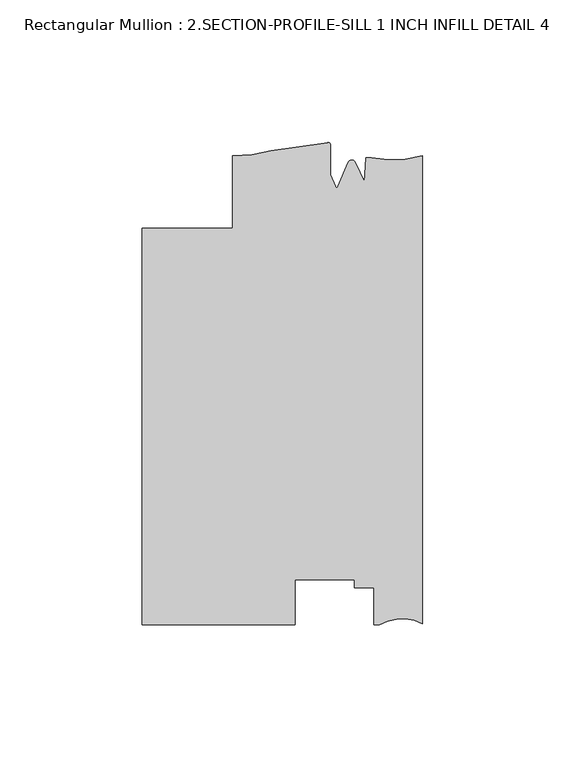
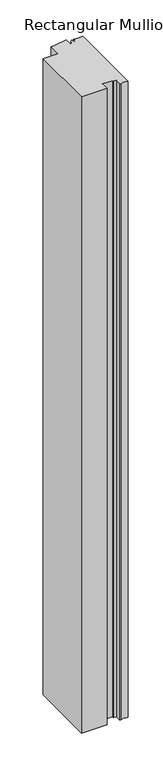
"""IFC4 building model written with IfcOpenShell, lengths in millimetres: member geometry, Rectangular Mullion : 2.SECTION-PROFILE-SILL 1 INCH INFILL DETAIL 4."""

from ifc_helpers import new_model, si_unit, frame, origin, place, context, project, spatial, polyline, circle_curve, source, transform, mapped, element, save
from ifc_brep_helpers import plane_surface, cylinder_surface, revolved_surface, advanced_brep


def rectangular_mullion_2_section_profile_sill_1_inch_infill_4022593c(model_context):
    return source(origin(), model_context, "Body", "AdvancedBrep", [
        advanced_brep(
        [(-98.425, 54.055762, 0.0), (-98.425, -85.136238, 0.0), (-44.8099503, -85.136238, 0.0), (-44.8099503, -69.2378335, 0.0), (-23.8633011, -69.2378335, 0.0), (-23.8633011, -72.0924388, 0.0), (-17.0053014, -72.0924388, 0.0), (-17.0053014, -85.136238, 0.0), (-15.1680895, -85.136238, 0.0), (0.0, -84.755238, 0.0), (0.0, 79.455762, 0.0), (-18.0334985, 78.6990241, 0.0), (-19.8211861, 78.8096902, 0.0), (-20.3867288, 70.4103709, 0.0), (-23.5593147, 77.1044184, 0.0), (-26.1362138, 77.1044184, 0.0), (-29.8075652, 68.6878508, 0.0), (-30.5559634, 68.6878508, 0.0), (-32.384137, 72.8789362, 0.0), (-32.384137, 83.3692214, 0.0), (-33.3130099, 84.1127249, 0.0), (-53.2924277, 81.2717252, 0.0), (-66.6751132, 79.455762, 0.0), (-66.6751132, 54.0564084, 0.0), (-98.425, 54.055762, -1409.4831251), (-66.6751132, 54.0564084, -1409.4831251), (-66.6751132, 79.455762, -1409.4831251), (-53.2924277, 81.2717252, -1409.4831251), (-33.3138356, 84.1125391, -1409.4831251), (-32.384137, 83.3692214, -1409.4831251), (-32.384137, 72.8789362, -1409.4831251), (-30.5559634, 68.6878508, -1409.4831251), (-29.8075652, 68.6878508, -1409.4831251), (-26.1362138, 77.1044184, -1409.4831251), (-23.5593147, 77.1044184, -1409.4831251), (-20.3867288, 70.4103709, -1409.4831251), (-19.8211861, 78.8096902, -1409.4831251), (-18.0334985, 78.6990241, -1409.4831251), (0.0, 79.455762, -1409.4831251), (0.0, -84.755238, -1409.4831251), (-15.1680895, -85.136238, -1409.4831251), (-17.0053014, -85.136238, -1409.4831251), (-17.0053014, -72.0924388, -1409.4831251), (-23.8633011, -72.0924388, -1409.4831251), (-23.8633011, -69.2378335, -1409.4831251), (-44.8099503, -69.2378335, -1409.4831251), (-44.8099503, -85.136238, -1409.4831251), (-98.425, -85.136238, -1409.4831251)],
        [
            (0, 1),
            (1, 2),
            (2, 3),
            (3, 4),
            (4, 5),
            (5, 6),
            (6, 7),
            (7, 8),
            (8, 9, circle_curve(frame((-7.2326507, -98.9351771, 0.0), z_axis=(0.0, 0.0, -1.0), x_axis=(0.0, -1.0, 0.0)), 15.9179744)),
            (9, 10),
            (10, 11, circle_curve(frame((-10.6264113, 117.4365645, 0.0), z_axis=(0.0, 0.0, -1.0), x_axis=(0.0, -1.0, 0.0)), 39.4393455)),
            (11, 12),
            (12, 13),
            (13, 14),
            (14, 15, circle_curve(frame((-24.8477643, 76.5645047, 0.0), z_axis=(0.0, 0.0, 1.0), x_axis=(-0.9222974554240717, 0.3864807934662246, 0.0)), 1.397)),
            (15, 16),
            (16, 17, circle_curve(frame((-30.1817643, 68.6161848, 0.0), z_axis=(0.0, 0.0, -1.0), x_axis=(-0.9821498950386464, 0.1880999300254419, 0.0)), 0.381)),
            (17, 18),
            (18, 19),
            (19, 20, circle_curve(frame((-33.146137, 83.3692214, 0.0), z_axis=(0.0, 0.0, 1.0), x_axis=(1.0, 0.0, 0.0)), 0.762)),
            (20, 21, circle_curve(frame((-61.125498, 208.0314889, 0.0), z_axis=(0.0, 0.0, -1.0), x_axis=(0.21898678818962636, -0.9757278240361867, 0.0)), 127.0015539)),
            (21, 22, circle_curve(frame((-65.8289407, 123.4395475, 0.0), z_axis=(0.0, 0.0, -1.0), x_axis=(0.0, -1.0, 0.0)), 43.9919242)),
            (22, 23),
            (23, 0),
            (24, 25),
            (25, 26),
            (26, 27, circle_curve(frame((-65.8289407, 123.4395475, -1409.4831251), z_axis=(0.0, 0.0, 1.0), x_axis=(0.0, -1.0, 0.0)), 43.9919242)),
            (27, 28, circle_curve(frame((-61.125498, 208.0314889, -1409.4831251), z_axis=(0.0, 0.0, 1.0), x_axis=(0.21898678818962636, -0.9757278240361867, 0.0)), 127.0015539)),
            (28, 29, circle_curve(frame((-33.146137, 83.3692214, -1409.4831251), z_axis=(0.0, 0.0, -1.0), x_axis=(1.0, 0.0, 0.0)), 0.762)),
            (29, 30),
            (30, 31),
            (31, 32, circle_curve(frame((-30.1817643, 68.6161848, -1409.4831251), z_axis=(0.0, 0.0, 1.0), x_axis=(-0.9821498950386464, 0.1880999300254419, 0.0)), 0.381)),
            (32, 33),
            (33, 34, circle_curve(frame((-24.8477643, 76.5645047, -1409.4831251), z_axis=(0.0, 0.0, -1.0), x_axis=(-0.9222974554240717, 0.3864807934662246, 0.0)), 1.397)),
            (34, 35),
            (35, 36),
            (36, 37),
            (37, 38, circle_curve(frame((-10.6264113, 117.4365645, -1409.4831251), z_axis=(0.0, 0.0, 1.0), x_axis=(0.0, -1.0, 0.0)), 39.4393455)),
            (38, 39),
            (39, 40, circle_curve(frame((-7.2326507, -98.9351771, -1409.4831251), z_axis=(0.0, 0.0, 1.0), x_axis=(0.0, -1.0, 0.0)), 15.9179744)),
            (40, 41),
            (41, 42),
            (42, 43),
            (43, 44),
            (44, 45),
            (45, 46),
            (46, 47),
            (47, 24),
            (0, 24),
            (47, 1),
            (46, 2),
            (45, 3),
            (44, 4),
            (43, 5),
            (42, 6),
            (41, 7),
            (40, 8),
            (39, 9),
            (38, 10),
            (37, 11),
            (36, 12),
            (35, 13),
            (34, 14),
            (33, 15),
            (32, 16),
            (31, 17),
            (30, 18),
            (29, 19),
            (28, 20),
            (27, 21),
            (26, 22),
            (25, 23),
        ],
        [
            plane_surface(frame((0.0, -130.1370802, 0.0), z_axis=(0.0, 0.0, 1.0), x_axis=(-1.0, 0.0, 0.0))),
            plane_surface(frame((0.0, -130.1370802, -1409.4831251), z_axis=(0.0, 0.0, -1.0), x_axis=(-1.0, 0.0, 0.0))),
            plane_surface(frame((-98.425, 54.055762, 0.0), z_axis=(-1.0, 0.0, 0.0), x_axis=(0.0, 0.0, -1.0))),
            plane_surface(frame((-98.425, -85.136238, 0.0), z_axis=(0.0, -1.0, 0.0), x_axis=(0.0, 0.0, -1.0))),
            plane_surface(frame((-44.8099503, -85.136238, 0.0), z_axis=(1.0, 0.0, 0.0), x_axis=(0.0, 0.0, -1.0))),
            plane_surface(frame((-44.8099503, -69.2378335, 0.0), z_axis=(0.0, -1.0, 0.0), x_axis=(0.0, 0.0, -1.0))),
            plane_surface(frame((-23.8633011, -69.2378335, 0.0), z_axis=(-1.0, 0.0, 0.0), x_axis=(0.0, 0.0, -1.0))),
            plane_surface(frame((-23.8633011, -72.0924388, 0.0), z_axis=(0.0, -1.0, 0.0), x_axis=(0.0, 0.0, -1.0))),
            plane_surface(frame((-17.0053014, -72.0924388, 0.0), z_axis=(-1.0, 0.0, 0.0), x_axis=(0.0, 0.0, -1.0))),
            plane_surface(frame((-17.0053014, -85.136238, 0.0), z_axis=(0.0, -1.0, 0.0), x_axis=(0.0, 0.0, -1.0))),
            revolved_surface(polyline([(-7.2326507, -114.85315150000001, -1409.4831251), (-7.2326507, -114.85315150000001, 0.0)]), (-7.2326507, -98.9351771, 0.0), (0.0, 0.0, -1.0)),
            plane_surface(frame((0.0, -84.755238, 0.0), z_axis=(1.0, 0.0, 0.0), x_axis=(0.0, 0.0, -1.0))),
            revolved_surface(polyline([(-10.6264113, 77.997219, -1409.4831251), (-10.6264113, 77.997219, 0.0)]), (-10.6264113, 117.4365645, 0.0), (0.0, 0.0, -1.0)),
            plane_surface(frame((-18.0334985, 78.6990241, 0.0), z_axis=(0.06178632761889604, 0.9980893996628611, 0.0), x_axis=(0.0, 0.0, -1.0))),
            plane_surface(frame((-19.8211861, 78.8096902, 0.0), z_axis=(-0.9977408816451062, 0.06717985631159187, 0.0), x_axis=(0.0, 0.0, -1.0))),
            plane_surface(frame((-20.3867288, 70.4103709, 0.0), z_axis=(0.9036479198265266, 0.42827612237106033, 0.0), x_axis=(0.0, 0.0, -1.0))),
            cylinder_surface(frame((-24.8477643, 76.5645047, 0.0), z_axis=(0.0, 0.0, 1.0), x_axis=(-0.9222974554240717, 0.3864807934662246, 0.0)), 1.397),
            plane_surface(frame((-26.1362138, 77.1044184, 0.0), z_axis=(-0.9165925711538584, 0.39982253376411786, 0.0), x_axis=(0.0, 0.0, -1.0))),
            revolved_surface(polyline([(-30.555963410009724, 68.6878508733397, -1409.4831251000005), (-30.555963410009724, 68.6878508733397, 0.0)]), (-30.1817643, 68.6161848, 0.0), (0.0, 0.0, -1.0000000000000002)),
            plane_surface(frame((-30.5559634, 68.6878508, 0.0), z_axis=(0.9165925711538703, 0.39982253376409066, 0.0), x_axis=(0.0, 0.0, -1.0))),
            plane_surface(frame((-32.384137, 72.8789362, 0.0), z_axis=(1.0, 0.0, 0.0), x_axis=(0.0, 0.0, -1.0))),
            cylinder_surface(frame((-33.146137, 83.3692214, 0.0), z_axis=(0.0, 0.0, 1.0), x_axis=(1.0, 0.0, 0.0)), 0.762),
            revolved_surface(polyline([(-33.31383561634728, 84.11253906393851, -1409.4831251), (-33.31383561634728, 84.11253906393851, 0.0)]), (-61.125498, 208.0314889, 0.0), (0.0, 0.0, -1.0)),
            revolved_surface(polyline([(-65.8289407, 79.4476233, -1409.4831251), (-65.8289407, 79.4476233, 0.0)]), (-65.8289407, 123.4395475, 0.0), (0.0, 0.0, -1.0)),
            plane_surface(frame((-66.6751132, 79.455762, 0.0), z_axis=(-1.0, 0.0, 0.0), x_axis=(0.0, 0.0, -1.0))),
            plane_surface(frame((-66.6751132, 54.0564084, 0.0), z_axis=(-2.0360673599661463e-05, 0.9999999997927215, 0.0), x_axis=(0.0, 0.0, -1.0))),
        ],
        [
            (0, [[1, 2, 3, 4, 5, 6, 7, 8, 9, 10, 11, 12, 13, 14, 15, 16, 17, 18, 19, 20, 21, 22, 23, 24]]),
            (1, [[25, 26, 27, 28, 29, 30, 31, 32, 33, 34, 35, 36, 37, 38, 39, 40, 41, 42, 43, 44, 45, 46, 47, 48]]),
            (2, [[-1, 49, -48, 50]]),
            (3, [[-2, -50, -47, 51]]),
            (4, [[-3, -51, -46, 52]]),
            (5, [[-4, -52, -45, 53]]),
            (6, [[-5, -53, -44, 54]]),
            (7, [[-6, -54, -43, 55]]),
            (8, [[-7, -55, -42, 56]]),
            (9, [[-8, -56, -41, 57]]),
            (10, [[-9, -57, -40, 58]]),
            (11, [[-10, -58, -39, 59]]),
            (12, [[-11, -59, -38, 60]]),
            (13, [[-12, -60, -37, 61]]),
            (14, [[-13, -61, -36, 62]]),
            (15, [[-14, -62, -35, 63]]),
            (16, [[-15, -63, -34, 64]]),
            (17, [[-16, -64, -33, 65]]),
            (18, [[-17, -65, -32, 66]]),
            (19, [[-18, -66, -31, 67]]),
            (20, [[-19, -67, -30, 68]]),
            (21, [[-20, -68, -29, 69]]),
            (22, [[-21, -69, -28, 70]]),
            (23, [[-22, -70, -27, 71]]),
            (24, [[-23, -71, -26, 72]]),
            (25, [[-24, -72, -25, -49]]),
        ],
    ),
    ])


if __name__ == "__main__":
    model = new_model("IFC4")
    model_context = context("Model", 3, world=origin())
    ifc_project = project(units=[si_unit("LENGTHUNIT", "METRE", prefix="MILLI")], contexts=[model_context])
    site = spatial("IfcSite", under=ifc_project)
    building = spatial("IfcBuilding", under=site)
    placement = place(None, origin())
    rectangular_mullion_2_section_profile_sill_1_inch_infill_shape = rectangular_mullion_2_section_profile_sill_1_inch_infill_4022593c(model_context)
    element("IfcMember", 1, ObjectType="Rectangular Mullion : 2.SECTION-PROFILE-SILL 1 INCH INFILL DETAIL 4", at=placement, inside=building, context=model_context, shape_type="MappedRepresentation", body=[
        mapped(rectangular_mullion_2_section_profile_sill_1_inch_infill_shape, transform((0.0, 0.0, 0.0), x_axis=(1.0, 0.0, 0.0), y_axis=(0.0, 1.0, 0.0), z_axis=(0.0, 0.0, 1.0))),
    ])
    save(model, "model.ifc")
